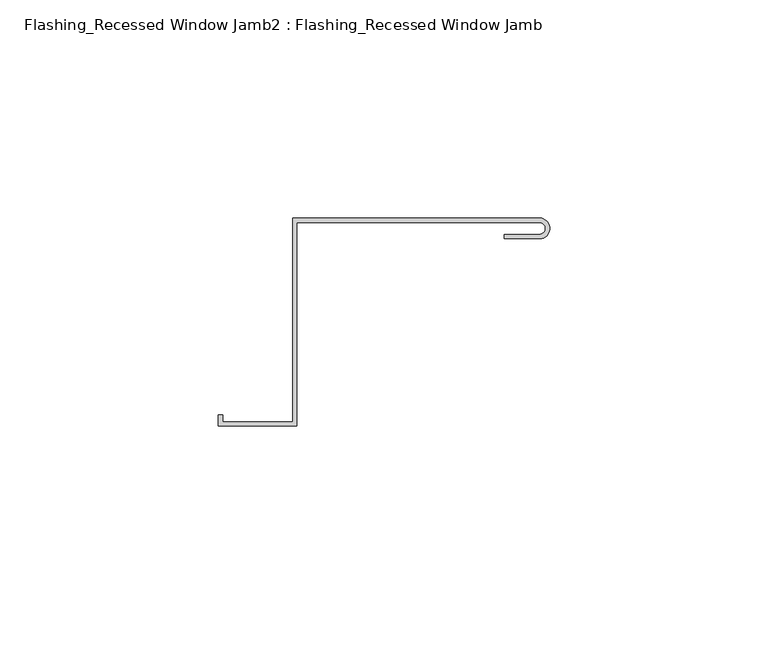
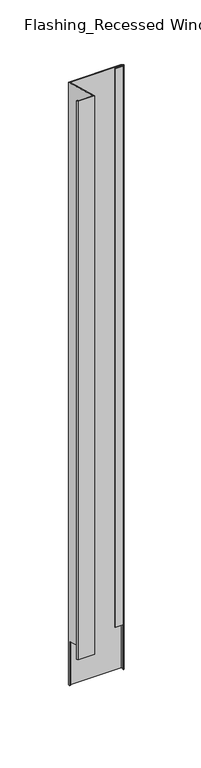
"""IFC4 building model written with IfcOpenShell, lengths in millimetres: proxy geometry, Flashing_Recessed Window Jamb2 : Flashing_Recessed Window Jamb."""

from ifc_helpers import new_model, si_unit, frame, origin, place, context, project, spatial, polyline, circle_curve, ellipse_curve, source, transform, mapped, element, save
from ifc_brep_helpers import plane_surface, cylinder_surface, revolved_surface, advanced_brep


def flashing_recessed_window_jamb2_flashing_recessed_window_jamb_ebfde33f(model_context):
    return source(origin(), model_context, "Body", "AdvancedBrep", [
        advanced_brep(
        [(9683.0189531, 657.7344915, -1036.7382524), (9627.4791786, 657.7344915, -1036.7382524), (9627.4791786, 656.8026399, -1036.7382524), (9626.4791786, 656.8026399, -1036.7382524), (9626.4791786, 658.7344915, -1036.7382524), (9683.0189531, 658.7344915, -1036.7382524), (9683.6606696, 654.077024, -1036.7382524), (9683.6606696, 655.1478067, -1036.7382524), (9626.4791786, 658.7344915, -343.2151173), (9683.0189531, 658.7344915, -343.2151173), (9626.4791786, 656.8026399, -985.662203), (9626.4791786, 612.0490096, -973.6705039), (9626.4791786, 612.0490096, -330.7057801), (9610.4479286, 612.0490096, -330.7057801), (9610.4479286, 612.0490096, -973.6705039), (9610.4479286, 613.5934881, -331.1196219), (9610.4479286, 613.5934881, -974.0843457), (9609.4479286, 613.5934881, -331.1196219), (9609.4479286, 613.5934881, -974.0843457), (9609.4479286, 611.0490096, -330.4378309), (9609.4479286, 611.0490096, -973.4025548), (9627.4791786, 611.0490096, -330.4378309), (9627.4791786, 611.0490096, -973.4025548), (9627.4791786, 657.7344915, -342.9471681), (9627.4791786, 656.8026399, -985.662203), (9683.0189531, 657.7344915, -342.9471681), (9683.0189531, 653.9886068, -341.9434613), (9674.9720781, 653.9886068, -341.9434613), (9674.9720781, 653.9886068, -984.9081852), (9683.0189531, 653.9886068, -984.9081852), (9674.9720781, 654.9886068, -342.2114105), (9674.9720781, 654.9886068, -985.1761344), (9683.0189531, 654.9886068, -342.2114105), (9683.0189531, 654.9886068, -985.1761344), (9683.6606696, 655.1478067, -985.2187918), (9683.6606696, 654.077024, -984.9318765)],
        [
            (0, 1),
            (1, 2),
            (2, 3),
            (3, 4),
            (4, 5),
            (5, 6, circle_curve(frame((9683.0189531, 656.3615492, -1036.7382524), z_axis=(0.0, 0.0, -1.0), x_axis=(1.0, 0.0, 0.0)), 2.3729424)),
            (6, 7),
            (7, 0, circle_curve(frame((9683.0189531, 656.3615492, -1036.7382524), z_axis=(0.0, 0.0, 1.0), x_axis=(1.0, 0.0, 0.0)), 1.3729424)),
            (4, 8),
            (8, 9),
            (9, 5),
            (3, 10),
            (10, 11),
            (11, 12),
            (12, 8),
            (13, 12),
            (11, 14),
            (14, 13),
            (15, 13),
            (14, 16),
            (16, 15),
            (17, 15),
            (16, 18),
            (18, 17),
            (19, 17),
            (18, 20),
            (20, 19),
            (21, 19),
            (20, 22),
            (22, 21),
            (1, 23),
            (23, 21),
            (22, 24),
            (24, 2),
            (0, 25),
            (25, 23),
            (26, 27),
            (27, 28),
            (28, 29),
            (29, 26),
            (27, 30),
            (30, 31),
            (31, 28),
            (30, 32),
            (32, 33),
            (33, 31),
            (7, 34),
            (34, 33, ellipse_curve(frame((9683.0189531, 656.3615492, -985.5440131), z_axis=(0.0, -0.25881904510252046, -0.9659258262890684), x_axis=(0.0, 0.9659258262890684, -0.25881904510251985)), 1.4213745, 1.3729424)),
            (32, 25, ellipse_curve(frame((9683.0189531, 656.3615492, -342.5792893), z_axis=(0.0, 0.2588190451025206, 0.9659258262890683), x_axis=(0.0, 0.9659258262890683, -0.25881904510252063)), 1.4213745, 1.3729424)),
            (9, 26, ellipse_curve(frame((9683.0189531, 656.3615492, -342.5792893), z_axis=(0.0, -0.2588190451025206, -0.9659258262890683), x_axis=(0.0, -0.9659258262890683, 0.25881904510252063)), 2.4566507, 2.3729424)),
            (29, 35, ellipse_curve(frame((9683.0189531, 656.3615492, -985.5440131), z_axis=(0.0, 0.25881904510252046, 0.9659258262890684), x_axis=(0.0, -0.9659258262890684, 0.25881904510251985)), 2.4566507, 2.3729424)),
            (35, 6),
            (35, 34),
            (10, 24),
        ],
        [
            plane_surface(frame((9611.4791786, 612.0490096, -1036.7382524), z_axis=(0.0, 0.0, -1.0), x_axis=(1.0, 0.0, 0.0))),
            plane_surface(frame((9683.0189531, 658.7344915, -277.6721404), z_axis=(0.0, 1.0, 0.0), x_axis=(0.0, 0.0, -1.0))),
            plane_surface(frame((9626.4791786, 658.7344915, -277.6721404), z_axis=(-1.0, 0.0, 0.0), x_axis=(0.0, 0.0, -1.0))),
            plane_surface(frame((9626.4791786, 612.0490096, -277.6721404), z_axis=(0.0, 1.0, 0.0), x_axis=(0.0, 0.0, -1.0))),
            plane_surface(frame((9610.4479286, 612.0490096, -277.6721404), z_axis=(1.0, 0.0, 0.0), x_axis=(0.0, 0.0, -1.0))),
            plane_surface(frame((9610.4479286, 613.5934881, -277.6721404), z_axis=(0.0, 1.0, 0.0), x_axis=(0.0, 0.0, -1.0))),
            plane_surface(frame((9609.4479286, 613.5934881, -277.6721404), z_axis=(-1.0, 0.0, 0.0), x_axis=(0.0, 0.0, -1.0))),
            plane_surface(frame((9609.4479286, 611.0490096, -277.6721404), z_axis=(0.0, -1.0, 0.0), x_axis=(0.0, 0.0, -1.0))),
            plane_surface(frame((9627.4791786, 611.0490096, -277.6721404), z_axis=(1.0, 0.0, 0.0), x_axis=(0.0, 0.0, -1.0))),
            plane_surface(frame((9627.4791786, 657.7344915, -277.6721404), z_axis=(0.0, -1.0, 0.0), x_axis=(0.0, 0.0, -1.0))),
            plane_surface(frame((9674.9720781, 653.9886068, -277.6721404), z_axis=(0.0, -1.0, 0.0), x_axis=(0.0, 0.0, -1.0))),
            plane_surface(frame((9674.9720781, 654.9886068, -277.6721404), z_axis=(-1.0, 0.0, 0.0), x_axis=(0.0, 0.0, -1.0))),
            plane_surface(frame((9683.0189531, 654.9886068, -277.6721404), z_axis=(0.0, 1.0, 0.0), x_axis=(0.0, 0.0, -1.0))),
            revolved_surface(polyline([(9684.391895499999, 656.3615492, -1036.7382524), (9684.391895499999, 656.3615492, -342.21141050000006)]), (9683.0189531, 656.3615492, -1036.7382524), (0.0, 0.0, -1.0)),
            cylinder_surface(frame((9683.0189531, 656.3615492, -1036.7382524), z_axis=(0.0, 0.0, 1.0), x_axis=(1.0, 0.0, 0.0)), 2.3729424),
            plane_surface(frame((9516.4791786, 682.2658889, -349.5203362), z_axis=(0.0, 0.2588190451025206, 0.9659258262890683), x_axis=(1.0, 0.0, 0.0))),
            plane_surface(frame((9683.6606696, 985.9989484, -1301.2959937), z_axis=(-1.0, 0.0, 0.0), x_axis=(0.0, 0.9659258262890683, -0.2588190451025206))),
            plane_surface(frame((9516.4791786, 56.8026399, -824.8926876), z_axis=(0.0, -0.25881904510252046, -0.9659258262890684), x_axis=(1.0, 0.0, 0.0))),
            plane_surface(frame((9516.4791786, 656.8026399, -985.662203), z_axis=(0.0, -1.0, 0.0), x_axis=(1.0, 0.0, 0.0))),
        ],
        [
            (0, [[1, 2, 3, 4, 5, 6, 7, 8]]),
            (1, [[-5, 9, 10, 11]]),
            (2, [[-9, -4, 12, 13, 14, 15]]),
            (3, [[16, -14, 17, 18]]),
            (4, [[19, -18, 20, 21]]),
            (5, [[22, -21, 23, 24]]),
            (6, [[25, -24, 26, 27]]),
            (7, [[28, -27, 29, 30]]),
            (8, [[31, 32, -30, 33, 34, -2]]),
            (9, [[-1, 35, 36, -31]]),
            (10, [[37, 38, 39, 40]]),
            (11, [[41, 42, 43, -38]]),
            (12, [[44, 45, 46, -42]]),
            (13, [[-35, -8, 47, 48, -45, 49]]),
            (14, [[-11, 50, -40, 51, 52, -6]]),
            (15, [[-10, -15, -16, -19, -22, -25, -28, -32, -36, -49, -44, -41, -37, -50]]),
            (16, [[53, -47, -7, -52]]),
            (17, [[-53, -51, -39, -43, -46, -48]]),
            (17, [[54, -33, -29, -26, -23, -20, -17, -13]]),
            (18, [[-54, -12, -3, -34]]),
        ],
    ),
    ])


if __name__ == "__main__":
    model = new_model("IFC4")
    model_context = context("Model", 3, world=origin())
    ifc_project = project(units=[si_unit("LENGTHUNIT", "METRE", prefix="MILLI")], contexts=[model_context])
    site = spatial("IfcSite", under=ifc_project)
    building = spatial("IfcBuilding", under=site)
    placement = place(None, origin())
    flashing_recessed_window_jamb2_flashing_recessed_window_jamb_shape = flashing_recessed_window_jamb2_flashing_recessed_window_jamb_ebfde33f(model_context)
    element("IfcBuildingElementProxy", 1, Name="Flashing_Recessed Window Jamb2 : Flashing_Recessed Window Jamb", ObjectType="Flashing_Recessed Window Jamb2 : Flashing_Recessed Window Jamb", at=placement, inside=building, context=model_context, shape_type="MappedRepresentation", body=[
        mapped(flashing_recessed_window_jamb2_flashing_recessed_window_jamb_shape, transform((0.0, 0.0, 0.0), x_axis=(1.0, 0.0, 0.0), y_axis=(0.0, 1.0, 0.0), z_axis=(0.0, 0.0, 1.0))),
    ])
    save(model, "model.ifc")
